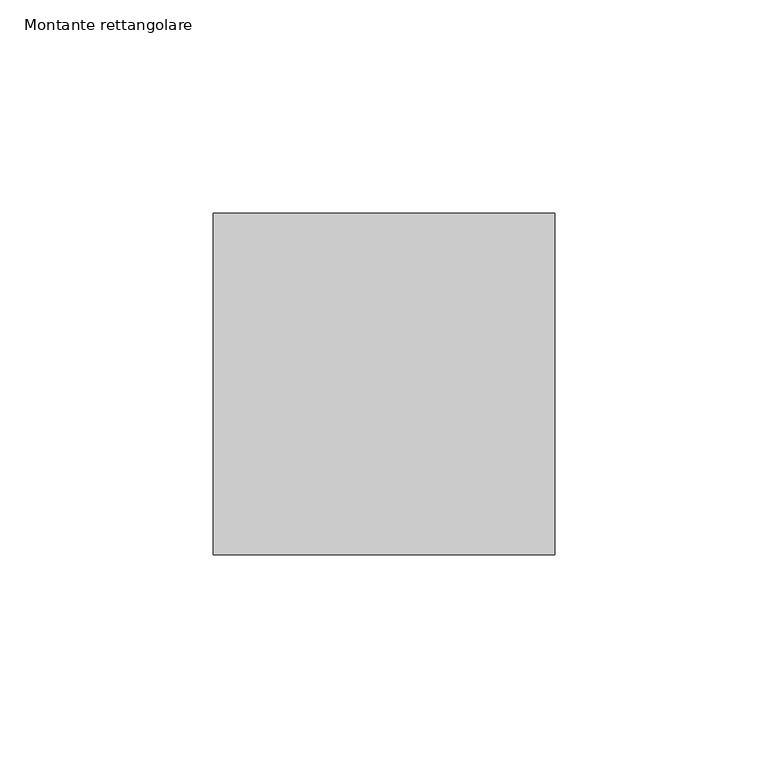
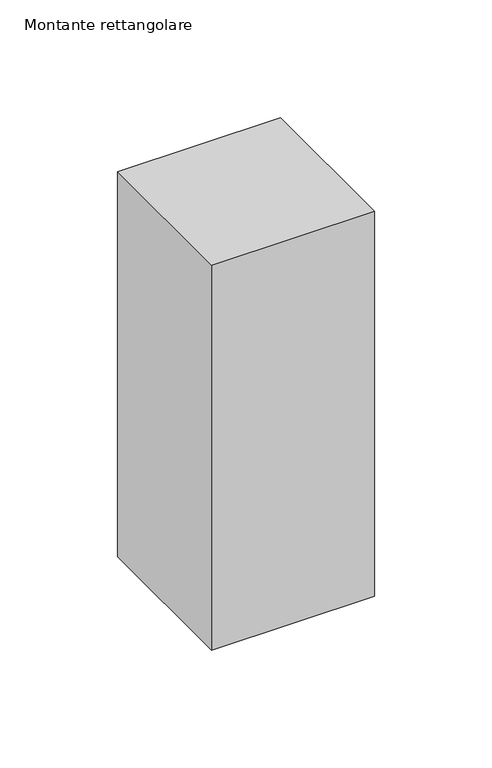
"""IFC4 building model written with IfcOpenShell, lengths in millimetres: member geometry, Montante rettangolare."""

from ifc_helpers import new_model, si_unit, frame, origin, place, context, project, spatial, polyline, outline, extrude, source, transform, mapped, element, save


def montante_rettangolare_e735235a(model_context):
    return source(origin(), model_context, "Body", "SweptSolid", [
        extrude(outline(polyline([(0.0, 40.0), (0.0, -40.0), (-80.0, -40.0), (-80.0, 40.0), (0.0, 40.0)])), frame((0.0, 0.0, -200.0), z_axis=(0.0, 0.0, 1.0), x_axis=(1.0, 0.0, 0.0)), (0.0, 0.0, 1.0), 200.0),
    ])


if __name__ == "__main__":
    model = new_model("IFC4")
    model_context = context("Model", 3, world=origin())
    ifc_project = project(units=[si_unit("LENGTHUNIT", "METRE", prefix="MILLI")], contexts=[model_context])
    site = spatial("IfcSite", under=ifc_project)
    building = spatial("IfcBuilding", under=site)
    placement = place(None, origin())
    montante_rettangolare_shape = montante_rettangolare_e735235a(model_context)
    element("IfcMember", 1, ObjectType="Montante rettangolare", at=placement, inside=building, context=model_context, shape_type="MappedRepresentation", body=[
        mapped(montante_rettangolare_shape, transform((0.0, 0.0, 0.0), x_axis=(1.0, 0.0, 0.0), y_axis=(0.0, 1.0, 0.0), z_axis=(0.0, 0.0, 1.0))),
    ])
    save(model, "model.ifc")
